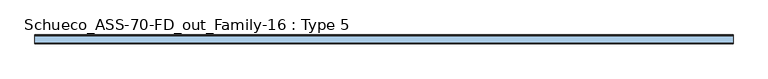
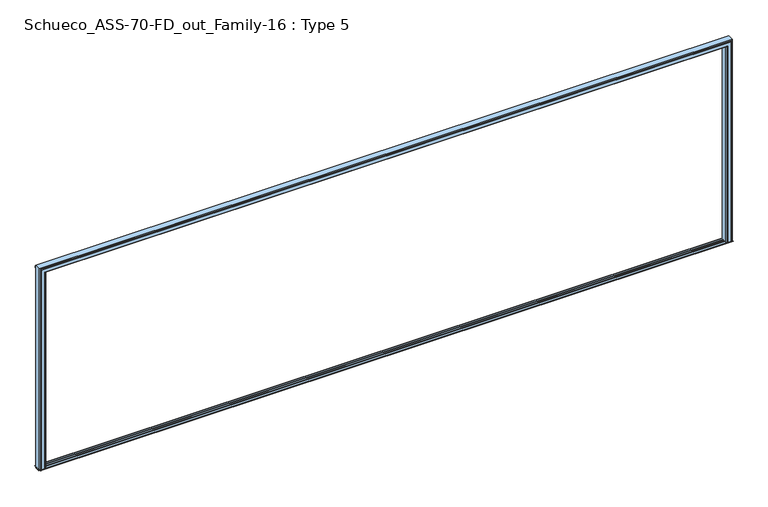
"""IFC4 building model written with IfcOpenShell, lengths in millimetres: window geometry, Schueco_ASS-70-FD_out_Family-16 : Type 5."""

import ifcopenshell
import ifcopenshell.guid

model = None  # the IFC model being written
_history = None  # IfcOwnerHistory: only IFC2X3 demands one
_inside = {}  # id of a spatial element -> (the spatial element, [elements in it])
_under = {}  # id of a project, library or spatial element -> (it, [spatial elements below it])
_declared = {}  # id of a project -> (the project, [libraries it declares])
_typed = {}  # id of a type object -> (the type object, [elements of that type])
_made_of = {}  # id of a material, layer set ... -> (it, [elements and type objects made of it])


def new_model(schema):
    """Start an empty IFC model of exactly this schema.

    Asked for "IFC4X3", IfcOpenShell would pick the latest addendum, in which some entities
    have other attributes; the version numbers below select the first issue.
    IFC2X3 requires an IfcOwnerHistory on every rooted entity: one is made here for all.
    """
    global model, _history
    if schema == "IFC4X3":
        model = ifcopenshell.file(schema_version=(4, 3, 0, 0))
    else:
        model = ifcopenshell.file(schema=schema)
    _inside.clear()
    _under.clear()
    _declared.clear()
    _typed.clear()
    _made_of.clear()
    _history = None
    if model.schema == "IFC2X3":
        org = make("IfcOrganization", Name="unknown")
        user = make(
            "IfcPersonAndOrganization",
            ThePerson=make("IfcPerson", FamilyName="unknown"),
            TheOrganization=org,
        )
        app = make(
            "IfcApplication",
            ApplicationDeveloper=org,
            Version="unknown",
            ApplicationFullName="unknown",
            ApplicationIdentifier="unknown",
        )
        _history = make(
            "IfcOwnerHistory",
            OwningUser=user,
            OwningApplication=app,
            ChangeAction="ADDED",
            CreationDate=0,
        )
    return model


def make(cls, **values):
    """One entity of the class cls with the attributes given. An attribute that is None is left unset."""
    return model.create_entity(
        cls, **{name: value for name, value in values.items() if value is not None}
    )


def rooted(cls, **values):
    """An entity with a GlobalId (a new one), such as an element, a storey or a relation."""
    return make(cls, GlobalId=ifcopenshell.guid.new(), OwnerHistory=_history, **values)


def si_unit(unit_type, name, prefix=None):
    """IfcSIUnit, for example si_unit("LENGTHUNIT", "METRE", prefix="MILLI")."""
    return make("IfcSIUnit", UnitType=unit_type, Prefix=prefix, Name=name)


def assignment(units):
    """IfcUnitAssignment: the units of a project."""
    return None if units is None else make("IfcUnitAssignment", Units=units)


def point(xyz):
    """IfcCartesianPoint."""
    return None if xyz is None else make("IfcCartesianPoint", Coordinates=xyz)


def direction(xyz):
    """IfcDirection."""
    return None if xyz is None else make("IfcDirection", DirectionRatios=xyz)


def frame(location, z_axis=None, x_axis=None):
    """IfcAxis2Placement3D, a coordinate frame: its origin and axes. An axis left out is left unset."""
    return make(
        "IfcAxis2Placement3D",
        Location=point(location),
        Axis=direction(z_axis),
        RefDirection=direction(x_axis),
    )


def origin():
    """The frame at (0, 0, 0) with its axes left unset."""
    return frame((0.0, 0.0, 0.0))


def place(relative_to, where):
    """IfcLocalPlacement: puts the frame where relative to a parent placement (None: the world)."""
    return make(
        "IfcLocalPlacement", PlacementRelTo=relative_to, RelativePlacement=where
    )


def context(
    kind, dimensions, precision=None, world=None, true_north=None, identifier=None
):
    """IfcGeometricRepresentationContext, for example the 3D "Model" context."""
    return make(
        "IfcGeometricRepresentationContext",
        ContextIdentifier=identifier,
        ContextType=kind,
        CoordinateSpaceDimension=dimensions,
        Precision=precision,
        WorldCoordinateSystem=world,
        TrueNorth=true_north,
    )


def project(units=None, contexts=None):
    """IfcProject with its units and contexts."""
    return rooted(
        "IfcProject",
        Name="project",
        RepresentationContexts=contexts,
        UnitsInContext=assignment(units),
    )


def spatial(cls, under=None, at=None, **own):
    """A site, building, storey or space (cls), placed at a placement, below another one or the project."""
    s = rooted(cls, ObjectPlacement=at, **own)
    if under is not None:
        _under.setdefault(under.id(), (under, []))[1].append(s)
    return s


def polyline(points):
    """IfcPolyline through the points."""
    return make("IfcPolyline", Points=[point(p) for p in points])


def circle_curve(where, radius):
    """IfcCircle in the frame where."""
    return make("IfcCircle", Position=where, Radius=radius)


def ellipse_curve(where, semi_axis1, semi_axis2):
    """IfcEllipse in the frame where."""
    return make(
        "IfcEllipse", Position=where, SemiAxis1=semi_axis1, SemiAxis2=semi_axis2
    )


def outline(outer, holes=None, kind="AREA"):
    """IfcArbitraryClosedProfileDef: a profile drawn as a closed curve; with holes, ...WithVoids."""
    if holes is None:
        return make("IfcArbitraryClosedProfileDef", ProfileType=kind, OuterCurve=outer)
    return make(
        "IfcArbitraryProfileDefWithVoids",
        ProfileType=kind,
        OuterCurve=outer,
        InnerCurves=holes,
    )


def extrude(swept, where, along, depth):
    """IfcExtrudedAreaSolid: the profile swept, set in the frame where, extruded along a direction by depth."""
    return make(
        "IfcExtrudedAreaSolid",
        SweptArea=swept,
        Position=where,
        ExtrudedDirection=direction(along),
        Depth=depth,
    )


def shape(context_of_items, identifier, shape_type, items):
    """IfcShapeRepresentation: the items that make up one representation, for example the "Body"."""
    return make(
        "IfcShapeRepresentation",
        ContextOfItems=context_of_items,
        RepresentationIdentifier=identifier,
        RepresentationType=shape_type,
        Items=items,
    )


def source(mapping_origin, context_of_items, identifier, shape_type, items):
    """IfcRepresentationMap: a shape defined once, which mapped items show again and again."""
    return make(
        "IfcRepresentationMap",
        MappingOrigin=mapping_origin,
        MappedRepresentation=shape(context_of_items, identifier, shape_type, items),
    )


def transform(
    local_origin,
    x_axis=None,
    y_axis=None,
    z_axis=None,
    scale=None,
    scale2=None,
    scale3=None,
    uniform=True,
):
    """IfcCartesianTransformationOperator3D, or its non-uniform kind. x_axis, y_axis, z_axis: its Axis1, 2, 3."""
    if uniform:
        return make(
            "IfcCartesianTransformationOperator3D",
            Axis1=direction(x_axis),
            Axis2=direction(y_axis),
            LocalOrigin=point(local_origin),
            Scale=scale,
            Axis3=direction(z_axis),
        )
    return make(
        "IfcCartesianTransformationOperator3DnonUniform",
        Axis1=direction(x_axis),
        Axis2=direction(y_axis),
        LocalOrigin=point(local_origin),
        Scale=scale,
        Axis3=direction(z_axis),
        Scale2=scale2,
        Scale3=scale3,
    )


def mapped(mapping_source, mapping_target):
    """IfcMappedItem: shows the shape of a source again, moved by a transform."""
    return make(
        "IfcMappedItem", MappingSource=mapping_source, MappingTarget=mapping_target
    )


def made_of(thing, what):
    """Note that an element or type object is made of a material, layer set ...; save() writes the relation."""
    if what is not None:
        _made_of.setdefault(what.id(), (what, []))[1].append(thing)
    return thing


def element(
    cls,
    number,
    at=None,
    inside=None,
    cuts=None,
    type_object=None,
    material=None,
    context=None,
    identifier="Body",
    shape_type=None,
    held_by="IfcProductDefinitionShape",
    body=None,
    shapes=None,
    **own,
):
    """One element of the class cls, such as IfcWall. Its Tag is "e" and its number.

    at: its placement. inside: the storey or other place that contains it. cuts: it is an
    opening in that element (IfcRelVoidsElement). A single representation is given by context,
    identifier, shape_type and body (its items); several are given by shapes. held_by: the class
    of the entity that holds the representations. save() writes the other relations.
    """
    e = rooted(cls, Tag="e%d" % number, ObjectPlacement=at, **own)
    if body is not None:
        shapes = [shape(context, identifier, shape_type, body)]
    if shapes is not None:
        e.Representation = make(held_by, Representations=shapes)
    if inside is not None:
        _inside.setdefault(inside.id(), (inside, []))[1].append(e)
    if cuts is not None:
        rooted(
            "IfcRelVoidsElement", RelatingBuildingElement=cuts, RelatedOpeningElement=e
        )
    if type_object is not None:
        _typed.setdefault(type_object.id(), (type_object, []))[1].append(e)
    return made_of(e, material)


def aggregate(whole, parts):
    """IfcRelAggregates: a whole, such as a stair, and the parts it consists of."""
    return rooted("IfcRelAggregates", RelatingObject=whole, RelatedObjects=parts)


def save(model, path):
    """Write the relations noted so far, then the file.

    IfcRelAggregates (storeys below a building ...), IfcRelContainedInSpatialStructure (elements
    in a storey), IfcRelDefinesByType, IfcRelAssociatesMaterial and IfcRelDeclares: one each for
    every whole, place, type object, material and project.
    """
    for whole, parts in _under.values():
        aggregate(whole, parts)
    for where, things in _inside.values():
        rooted(
            "IfcRelContainedInSpatialStructure",
            RelatedElements=things,
            RelatingStructure=where,
        )
    for kind, things in _typed.values():
        rooted("IfcRelDefinesByType", RelatedObjects=things, RelatingType=kind)
    for what, things in _made_of.values():
        rooted("IfcRelAssociatesMaterial", RelatedObjects=things, RelatingMaterial=what)
    for by, libraries in _declared.values():
        rooted("IfcRelDeclares", RelatingContext=by, RelatedDefinitions=libraries)
    model.write(path)


def plane_surface(at):
    """IfcPlane: the flat surface through the origin of the frame at, square to its z axis."""
    return make("IfcPlane", Position=at)


def cylinder_surface(at, radius):
    """IfcCylindricalSurface: all points at the distance radius from the z axis of the frame at."""
    return make("IfcCylindricalSurface", Position=at, Radius=radius)


def advanced_brep(points, edges, surfaces, faces):
    """IfcAdvancedBrep: a solid bounded by faces that lie on surfaces and meet in shared edges.

    An edge is (start, end): straight between two places in points (the first is 0);
    or (start, end, curve); or (start, end, curve, False) where it runs against its curve.
    A face is (place in surfaces, loops), or (place, loops, False) where it looks against
    its surface's normal. A loop lists edges by number (the first is 1), with a minus sign
    where the edge is run from its end to its start. The first loop is the outer one.
    """
    corners = [point(p) for p in points]
    vertices = [make("IfcVertexPoint", VertexGeometry=c) for c in corners]
    made = []
    for start, end, *more in edges:
        made.append(
            make(
                "IfcEdgeCurve",
                EdgeStart=vertices[start],
                EdgeEnd=vertices[end],
                EdgeGeometry=more[0] if more else make("IfcPolyline", Points=[corners[start], corners[end]]),
                SameSense=more[1] if len(more) > 1 else True,
            )
        )
    hull = []
    for where, loops, *sense in faces:
        bounds = []
        for j, loop in enumerate(loops):
            ring = [make("IfcOrientedEdge", EdgeElement=made[abs(k) - 1], Orientation=k > 0) for k in loop]
            bounds.append(
                make(
                    "IfcFaceOuterBound" if j == 0 else "IfcFaceBound",
                    Bound=make("IfcEdgeLoop", EdgeList=ring),
                    Orientation=True,
                )
            )
        hull.append(make("IfcAdvancedFace", Bounds=bounds, FaceSurface=surfaces[where], SameSense=sense[0] if sense else True))
    return make("IfcAdvancedBrep", Outer=make("IfcClosedShell", CfsFaces=hull))


def schueco_ass_70_fd_out_family_16_type_5_43a4217e(model_context):
    return source(origin(), model_context, "Body", "SolidModel", [
        advanced_brep(
        [(3845.0, -3.5000916, 0.0), (3840.0003662, -3.5000916, 0.0), (3840.0003662, -3.5000916, 2345.0), (3845.0, -3.5000916, 2345.0), (-3830.0000916, -70.0, 0.0), (-3818.8, -70.0, 0.0), (-3818.8, -70.0, 2330.0000916), (-3830.0000916, -70.0, 2330.0000916), (3877.999939, -70.0, 0.0), (3890.0, -70.0, 0.0), (3890.0, -70.0, 2390.0), (-3890.0, -70.0, 2390.0), (-3890.0, -70.0, 0.0), (-3877.999939, -70.0, 0.0), (-3877.999939, -70.0, 2377.999939), (3877.999939, -70.0, 2377.999939), (3818.8, -70.0, 0.0), (3830.0000916, -70.0, 0.0), (3830.0000916, -70.0, 2330.0000916), (3818.8, -70.0, 2330.0000916), (-3840.0003662, -3.5000916, 0.0), (-3845.0, -3.5000916, 0.0), (-3845.0, -3.5000916, 2345.0), (-3840.0003662, -3.5000916, 2345.0), (-3818.8, 0.0, 0.0), (-3818.8, 0.0, 2345.0), (-3818.8, -3.5, 2345.0), (-3818.8, -3.5, 2365.9997864), (-3818.8, -14.1500244, 2365.9997864), (-3818.8, -14.1500244, 2349.000061), (-3818.8, -23.75, 2349.000061), (-3818.8, -23.75, 2365.9997864), (-3818.8, -46.2499161, 2365.9997864), (-3818.8, -46.2499161, 2349.000061), (-3818.8, -55.8498688, 2349.000061), (-3818.8, -55.8498688, 2365.9997864), (-3818.8, -70.0, 2365.9997864), (3818.8, 0.0, 0.0), (3818.8, -70.0, 2365.9997864), (3818.8, -55.8498688, 2365.9997864), (3818.8, -55.8498688, 2349.000061), (3818.8, -46.2499161, 2349.000061), (3818.8, -46.2499161, 2365.9997864), (3818.8, -23.75, 2365.9997864), (3818.8, -23.75, 2349.000061), (3818.8, -14.1500244, 2349.000061), (3818.8, -14.1500244, 2365.9997864), (3818.8, -3.5, 2365.9997864), (3818.8, -3.5, 2345.0), (3818.8, 0.0, 2345.0), (3840.0003662, 0.0, 0.0), (3840.0003662, 0.0, 2345.0), (-3840.0003662, 0.0, 0.0), (-3840.0003662, 0.0, 2345.0), (-3830.0000916, -77.4999847, 0.0), (-3832.5000916, -79.9999847, 0.0), (-3873.499939, -79.9999847, 0.0), (-3877.999939, -75.4999847, 0.0), (-3890.0, 0.0, 0.0), (-3845.0, 0.0, 0.0), (3890.0, 0.0, 0.0), (3845.0, 0.0, 0.0), (3845.0, 0.0, 2345.0), (-3845.0, 0.0, 2345.0), (-3890.0, 0.0, 2390.0), (3890.0, 0.0, 2390.0), (-3830.0000916, -77.4999847, 2330.0000916), (-3832.5000916, -79.9999847, 2332.5000916), (3832.5000916, -79.9999847, 0.0), (3873.499939, -79.9999847, 0.0), (3873.499939, -79.9999847, 2373.499939), (-3873.499939, -79.9999847, 2373.499939), (3832.5000916, -79.9999847, 2332.5000916), (-3877.999939, -75.4999847, 2377.999939), (3877.999939, -75.4999847, 0.0), (3830.0000916, -77.4999847, 0.0), (3877.999939, -75.4999847, 2377.999939), (3830.0000916, -77.4999847, 2330.0000916)],
        [
            (0, 1),
            (1, 2),
            (2, 3),
            (3, 0),
            (4, 5),
            (5, 6),
            (6, 7),
            (7, 4),
            (8, 9),
            (9, 10),
            (10, 11),
            (11, 12),
            (12, 13),
            (13, 14),
            (14, 15),
            (15, 8),
            (16, 17),
            (17, 18),
            (18, 19),
            (19, 16),
            (20, 21),
            (21, 22),
            (22, 23),
            (23, 20),
            (5, 24),
            (24, 25),
            (25, 26),
            (26, 27),
            (27, 28),
            (28, 29),
            (29, 30),
            (30, 31),
            (31, 32),
            (32, 33),
            (33, 34),
            (34, 35),
            (35, 36),
            (36, 6),
            (37, 16),
            (19, 38),
            (38, 39),
            (39, 40),
            (40, 41),
            (41, 42),
            (42, 43),
            (43, 44),
            (44, 45),
            (45, 46),
            (46, 47),
            (47, 48),
            (48, 49),
            (49, 37),
            (1, 50),
            (50, 51),
            (51, 2),
            (52, 20),
            (23, 53),
            (53, 52),
            (52, 24),
            (4, 54),
            (54, 55, circle_curve(frame((-3832.5000916, -77.4999847, 0.0), z_axis=(0.0, 0.0, -1.0), x_axis=(1.0, 0.0, 0.0)), 2.5)),
            (55, 56),
            (56, 57, circle_curve(frame((-3873.499939, -75.4999847, 0.0), z_axis=(0.0, 0.0, -1.0), x_axis=(1.0, 0.0, 0.0)), 4.5)),
            (57, 13),
            (12, 58),
            (58, 59),
            (59, 21),
            (60, 61),
            (61, 62),
            (62, 51),
            (50, 37),
            (49, 25),
            (53, 63),
            (63, 59),
            (58, 64),
            (64, 65),
            (65, 60),
            (7, 66),
            (66, 54),
            (66, 67, ellipse_curve(frame((-3832.5000916, -77.4999847, 2332.5000916), z_axis=(-0.7071067811865475, 0.0, -0.7071067811865475), x_axis=(-0.7071067811865474, 0.0, 0.7071067811865476)), 3.5355339, 2.5)),
            (67, 55),
            (68, 69),
            (69, 70),
            (70, 71),
            (71, 56),
            (67, 72),
            (72, 68),
            (71, 73, ellipse_curve(frame((-3873.499939, -75.4999847, 2373.499939), z_axis=(-0.7071067811865475, 0.0, -0.7071067811865475), x_axis=(-0.7071067811865474, 0.0, 0.7071067811865476)), 6.363961, 4.5)),
            (73, 57),
            (73, 14),
            (11, 64),
            (63, 22),
            (0, 61),
            (60, 9),
            (8, 74),
            (74, 69, circle_curve(frame((3873.499939, -75.4999847, 0.0), z_axis=(0.0, 0.0, -1.0), x_axis=(-1.0, 0.0, 0.0)), 4.5)),
            (68, 75, circle_curve(frame((3832.5000916, -77.4999847, 0.0), z_axis=(0.0, 0.0, -1.0), x_axis=(-1.0, 0.0, 0.0)), 2.5)),
            (75, 17),
            (3, 62),
            (65, 10),
            (15, 76),
            (76, 74),
            (76, 70, ellipse_curve(frame((3873.499939, -75.4999847, 2373.499939), z_axis=(0.7071067811865475, 0.0, -0.7071067811865475), x_axis=(-0.7071067811865474, 0.0, -0.7071067811865476)), 6.363961, 4.5)),
            (72, 77, ellipse_curve(frame((3832.5000916, -77.4999847, 2332.5000916), z_axis=(0.7071067811865475, 0.0, -0.7071067811865475), x_axis=(-0.7071067811865474, 0.0, -0.7071067811865476)), 3.5355339, 2.5)),
            (77, 75),
            (77, 18),
            (19, 6),
            (36, 38),
            (39, 35),
            (34, 40),
            (41, 33),
            (32, 42),
            (43, 31),
            (30, 44),
            (45, 29),
            (28, 46),
            (47, 27),
            (26, 48),
            (73, 76),
            (66, 77),
        ],
        [
            plane_surface(frame((3865.9997864, -3.5000916, 2390.0), z_axis=(0.0, 1.0, 0.0), x_axis=(0.0, 0.0, -1.0))),
            plane_surface(frame((-3865.9997864, -70.0, 2390.0), z_axis=(0.0, -1.0, 0.0), x_axis=(0.0, 0.0, -1.0))),
            plane_surface(frame((-3840.0003662, -3.5000916, 2390.0), z_axis=(0.0, 1.0, 0.0), x_axis=(0.0, 0.0, -1.0))),
            plane_surface(frame((-3818.8, -70.0, 2390.0), z_axis=(1.0, 0.0, 0.0), x_axis=(0.0, 0.0, -1.0))),
            plane_surface(frame((3818.8, 0.0, 2390.0), z_axis=(-1.0, 0.0, 0.0), x_axis=(0.0, 0.0, -1.0))),
            plane_surface(frame((3840.0003662, -3.5000916, 2390.0), z_axis=(1.0, 0.0, 0.0), x_axis=(0.0, 0.0, -1.0))),
            plane_surface(frame((-3840.0003662, 0.0, 2390.0), z_axis=(-1.0, 0.0, 0.0), x_axis=(0.0, 0.0, -1.0))),
            plane_surface(frame((-3890.0, -70.0, 0.0), z_axis=(0.0, 0.0, -1.0), x_axis=(0.0, -1.0, 0.0))),
            plane_surface(frame((-3818.8, 0.0, 2390.0), z_axis=(0.0, 1.0, 0.0), x_axis=(0.0, 0.0, -1.0))),
            plane_surface(frame((-3830.0000916, -77.4999847, 2330.0000916), z_axis=(1.0, 0.0, 0.0), x_axis=(0.0, 0.0, -1.0))),
            cylinder_surface(frame((-3832.5000916, -77.4999847, 2390.0), z_axis=(0.0, 0.0, 1.0), x_axis=(1.0, 0.0, 0.0)), 2.5),
            plane_surface(frame((3873.499939, -79.9999847, 0.0), z_axis=(0.0, -1.0, 0.0), x_axis=(0.0, 0.0, 1.0))),
            cylinder_surface(frame((-3873.499939, -75.4999847, 2390.0), z_axis=(0.0, 0.0, 1.0), x_axis=(1.0, 0.0, 0.0)), 4.5),
            plane_surface(frame((-3877.999939, -70.0, 2377.999939), z_axis=(-1.0, 0.0, 0.0), x_axis=(0.0, 0.0, -1.0))),
            plane_surface(frame((-3890.0, 0.0, 2390.0), z_axis=(-1.0, 0.0, 0.0), x_axis=(0.0, 0.0, -1.0))),
            plane_surface(frame((-3845.0, -3.5, 2345.0), z_axis=(1.0, 0.0, 0.0), x_axis=(0.0, 0.0, -1.0))),
            plane_surface(frame((3890.0, -70.0, 0.0), z_axis=(0.0, 0.0, -1.0), x_axis=(0.0, -1.0, 0.0))),
            plane_surface(frame((3845.0, -3.5, 0.0), z_axis=(-1.0, 0.0, 0.0), x_axis=(0.0, 0.0, 1.0))),
            plane_surface(frame((3890.0, 0.0, 0.0), z_axis=(1.0, 0.0, 0.0), x_axis=(0.0, 0.0, 1.0))),
            plane_surface(frame((3877.999939, -70.0, 0.0), z_axis=(1.0, 0.0, 0.0), x_axis=(0.0, 0.0, 1.0))),
            cylinder_surface(frame((3873.499939, -75.4999847, 0.0), z_axis=(0.0, 0.0, -1.0), x_axis=(-1.0, 0.0, 0.0)), 4.5),
            cylinder_surface(frame((3832.5000916, -77.4999847, 0.0), z_axis=(0.0, 0.0, -1.0), x_axis=(-1.0, 0.0, 0.0)), 2.5),
            plane_surface(frame((3830.0000916, -77.4999847, 0.0), z_axis=(-1.0, 0.0, 0.0), x_axis=(0.0, 0.0, 1.0))),
            plane_surface(frame((-3890.0, -70.0, 2390.0), z_axis=(0.0, 0.0, 1.0), x_axis=(0.0, -1.0, 0.0))),
            plane_surface(frame((3830.0000916, -70.0, 0.0), z_axis=(0.0, 1.0, 0.0), x_axis=(0.0, 0.0, 1.0))),
            plane_surface(frame((3865.9997864, -55.8498688, 0.0), z_axis=(0.0, -1.0, 0.0), x_axis=(0.0, 0.0, 1.0))),
            plane_surface(frame((3849.000061, -46.2499161, 0.0), z_axis=(0.0, 1.0, 0.0), x_axis=(0.0, 0.0, 1.0))),
            plane_surface(frame((3865.9997864, -23.75, 0.0), z_axis=(0.0, -1.0, 0.0), x_axis=(0.0, 0.0, 1.0))),
            plane_surface(frame((3849.000061, -14.1500244, 0.0), z_axis=(0.0, 1.0, 0.0), x_axis=(0.0, 0.0, 1.0))),
            plane_surface(frame((3865.9997864, -3.5, 0.0), z_axis=(0.0, -1.0, 0.0), x_axis=(0.0, 0.0, 1.0))),
            plane_surface(frame((3877.999939, -70.0, 2377.999939), z_axis=(0.0, 0.0, 1.0), x_axis=(-1.0, 0.0, 0.0))),
            cylinder_surface(frame((3890.0, -75.4999847, 2373.499939), z_axis=(1.0, 0.0, 0.0), x_axis=(0.0, 0.0, -1.0)), 4.5),
            cylinder_surface(frame((3890.0, -77.4999847, 2332.5000916), z_axis=(1.0, 0.0, 0.0), x_axis=(0.0, 0.0, -1.0)), 2.5),
            plane_surface(frame((3830.0000916, -77.4999847, 2330.0000916), z_axis=(0.0, 0.0, -1.0), x_axis=(-1.0, 0.0, 0.0))),
            plane_surface(frame((3865.9997864, -70.0, 2365.9997864), z_axis=(0.0, 0.0, -1.0), x_axis=(-1.0, 0.0, 0.0))),
            plane_surface(frame((3849.000061, -55.8498688, 2349.000061), z_axis=(0.0, 0.0, -1.0), x_axis=(-1.0, 0.0, 0.0))),
            plane_surface(frame((3865.9997864, -46.2499161, 2365.9997864), z_axis=(0.0, 0.0, -1.0), x_axis=(-1.0, 0.0, 0.0))),
            plane_surface(frame((3849.000061, -23.75, 2349.000061), z_axis=(0.0, 0.0, -1.0), x_axis=(-1.0, 0.0, 0.0))),
            plane_surface(frame((3865.9997864, -14.1500244, 2365.9997864), z_axis=(0.0, 0.0, -1.0), x_axis=(-1.0, 0.0, 0.0))),
            plane_surface(frame((3845.0, -3.5, 2345.0), z_axis=(0.0, 0.0, -1.0), x_axis=(-1.0, 0.0, 0.0))),
        ],
        [
            (0, [[1, 2, 3, 4]]),
            (1, [[5, 6, 7, 8]]),
            (1, [[9, 10, 11, 12, 13, 14, 15, 16]]),
            (1, [[17, 18, 19, 20]]),
            (2, [[21, 22, 23, 24]]),
            (3, [[25, 26, 27, 28, 29, 30, 31, 32, 33, 34, 35, 36, 37, 38, -6]]),
            (4, [[39, -20, 40, 41, 42, 43, 44, 45, 46, 47, 48, 49, 50, 51, 52]]),
            (5, [[53, 54, 55, -2]]),
            (6, [[56, -24, 57, 58]]),
            (7, [[59, -25, -5, 60, 61, 62, 63, 64, -13, 65, 66, 67, -21, -56]]),
            (8, [[68, 69, 70, -54, 71, -52, 72, -26, -59, -58, 73, 74, -66, 75, 76, 77]]),
            (9, [[-60, -8, 78, 79]]),
            (10, [[-61, -79, 80, 81]]),
            (11, [[82, 83, 84, 85, -62, -81, 86, 87]]),
            (12, [[-63, -85, 88, 89]]),
            (13, [[-64, -89, 90, -14]]),
            (14, [[-65, -12, 91, -75]]),
            (15, [[-67, -74, 92, -22]]),
            (16, [[-53, -1, 93, -68, 94, -9, 95, 96, -82, 97, 98, -17, -39, -71]]),
            (17, [[-93, -4, 99, -69]]),
            (18, [[-94, -77, 100, -10]]),
            (19, [[-95, -16, 101, 102]]),
            (20, [[-96, -102, 103, -83]]),
            (21, [[-97, -87, 104, 105]]),
            (22, [[-98, -105, 106, -18]]),
            (23, [[-100, -76, -91, -11]]),
            (24, [[107, -38, 108, -40]]),
            (25, [[109, -36, 110, -42]]),
            (26, [[111, -34, 112, -44]]),
            (27, [[113, -32, 114, -46]]),
            (28, [[115, -30, 116, -48]]),
            (29, [[117, -28, 118, -50]]),
            (30, [[-101, -15, -90, 119]]),
            (31, [[-103, -119, -88, -84]]),
            (32, [[-86, -80, 120, -104]]),
            (33, [[-106, -120, -78, -7, -107, -19]]),
            (34, [[-108, -37, -109, -41]]),
            (35, [[-111, -43, -110, -35]]),
            (36, [[-113, -45, -112, -33]]),
            (37, [[-115, -47, -114, -31]]),
            (38, [[-117, -49, -116, -29]]),
            (39, [[-72, -51, -118, -27]]),
            (39, [[-99, -3, -55, -70]]),
            (39, [[-92, -73, -57, -23]]),
        ],
    ),
        extrude(outline(polyline([(7.7224991, 2377.8134468), (7.7224991, 2353.0010125), (0.0, 2353.0010125), (0.0, 2382.2763596), (7.7224991, 2377.8134468)])), frame((-3890.0, 0.0, 0.0), z_axis=(1.0, 0.0, 0.0), x_axis=(0.0, 1.0, 0.0)), (0.0, 0.0, 1.0), 7780.0),
        extrude(outline(polyline([(15.0, 1.0391775), (15.0, 0.0), (-6.000061, 0.0), (-6.000061, -12.4999924), (-64.000061, -12.4999924), (-64.000061, 0.0), (-85.0000807, 0.0), (-85.0000807, 1.0392014), (-80.7379205, 3.4999924), (-53.5502106, 3.4999924), (-53.5502106, 7.1000061), (-46.250061, 7.1000061), (-46.250061, -8.6999969), (-23.750061, -8.6999969), (-23.750061, 7.1000061), (-16.4499115, 7.1000061), (-16.4499115, 3.5000076), (10.737772, 3.5000076), (15.0, 1.0391775)])), frame((-3890.0, 0.0, 0.0), z_axis=(1.0, 0.0, 0.0), x_axis=(0.0, 1.0, 0.0)), (0.0, 0.0, 1.0), 7780.0),
    ])


if __name__ == "__main__":
    model = new_model("IFC4")
    model_context = context("Model", 3, world=origin())
    ifc_project = project(units=[si_unit("LENGTHUNIT", "METRE", prefix="MILLI")], contexts=[model_context])
    site = spatial("IfcSite", under=ifc_project)
    building = spatial("IfcBuilding", under=site)
    placement = place(None, origin())
    schueco_ass_70_fd_out_family_16_type_5_shape = schueco_ass_70_fd_out_family_16_type_5_43a4217e(model_context)
    element("IfcWindow", 1, ObjectType="Schueco_ASS-70-FD_out_Family-16 : Type 5", at=placement, inside=building, context=model_context, shape_type="MappedRepresentation", body=[
        mapped(schueco_ass_70_fd_out_family_16_type_5_shape, transform((0.0, 0.0, 0.0), x_axis=(1.0, 0.0, 0.0), y_axis=(0.0, 1.0, 0.0), z_axis=(0.0, 0.0, 1.0))),
    ])
    save(model, "model.ifc")
